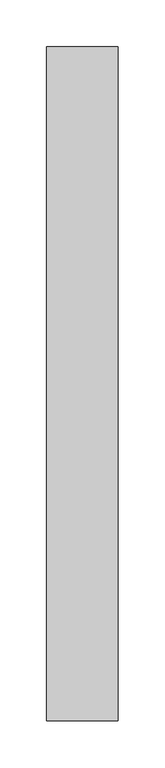
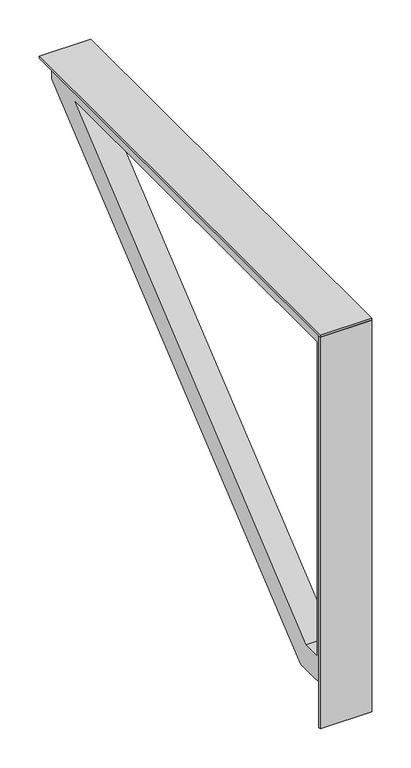
"""IFC4 building model written with IfcOpenShell, lengths in millimetres: furniture geometry."""

from ifc_helpers import new_model, si_unit, frame, origin, place, context, project, spatial, polyline, outline, extrude, source, transform, mapped, element, save


def furniture_c475bb2a(model_context):
    return source(origin(), model_context, "Body", "SweptSolid", [
        extrude(outline(polyline([(56.5854669, -123.825), (56.5854669, -127.0), (-19.3622951, -127.0), (-19.3622951, -123.825), (56.5854669, -123.825)])), frame((0.0, 0.0, 300.86745), z_axis=(0.0, 0.0, 1.0), x_axis=(1.0, 0.0, 0.0)), (0.0, 0.0, 1.0), 610.35755),
        extrude(outline(polyline([(590.55, 911.0551237), (590.55, 872.9551237), (-45.2477269, 345.7352473), (-123.825, 345.7352473), (-123.825, 911.0551237), (590.55, 911.0551237)]), holes=[polyline([(531.2768998, 872.9551237), (-85.725, 872.9551237), (-85.725, 383.9328855), (-58.9986546, 383.9328855), (531.2768998, 872.9551237)])]), frame((-0.6368516, 0.0, 0.0), z_axis=(1.0, 0.0, 0.0), x_axis=(0.0, 1.0, 0.0)), (0.0, 0.0, 1.0), 38.1),
        extrude(outline(polyline([(-19.3622951, -127.0), (-19.3622951, 590.55), (56.5854669, 590.55), (56.5854669, -127.0), (-19.3622951, -127.0)])), frame((0.0, 0.0, 911.225), z_axis=(0.0, 0.0, 1.0), x_axis=(1.0, 0.0, 0.0)), (0.0, 0.0, 1.0), 3.175),
    ])


if __name__ == "__main__":
    model = new_model("IFC4")
    model_context = context("Model", 3, world=origin())
    ifc_project = project(units=[si_unit("LENGTHUNIT", "METRE", prefix="MILLI")], contexts=[model_context])
    site = spatial("IfcSite", under=ifc_project)
    building = spatial("IfcBuilding", under=site)
    placement = place(None, origin())
    furniture_shape = furniture_c475bb2a(model_context)
    element("IfcFurniture", 1, at=placement, inside=building, context=model_context, shape_type="MappedRepresentation", body=[
        mapped(furniture_shape, transform((0.0, 0.0, 0.0), x_axis=(1.0, 0.0, 0.0), y_axis=(0.0, 1.0, 0.0), z_axis=(0.0, 0.0, 1.0))),
    ])
    save(model, "model.ifc")
